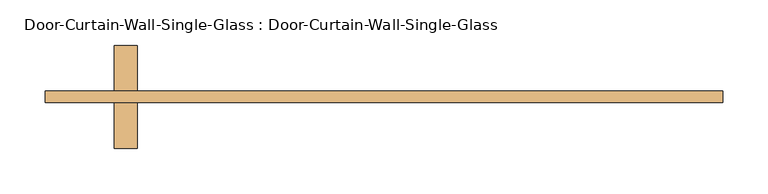
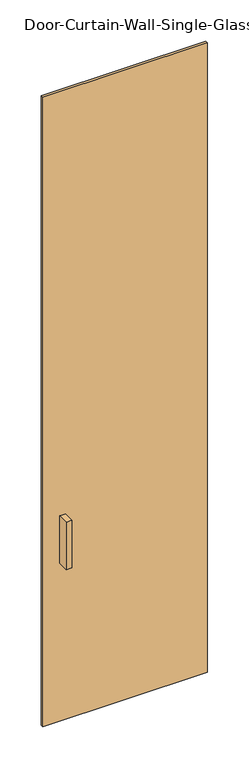
"""IFC4 building model written with IfcOpenShell, lengths in millimetres: door geometry, Door-Curtain-Wall-Single-Glass : Door-Curtain-Wall-Single-Glass."""

from ifc_helpers import new_model, si_unit, frame, origin, origin_with_axes, place, context, project, spatial, polyline, outline, extrude, source, transform, mapped, element, save


def door_curtain_wall_single_glass_door_curtain_wall_single_a1af9baf(model_context):
    return source(origin(), model_context, "Body", "SweptSolid", [
        extrude(outline(polyline([(374.6500002, 50.8), (374.6500002, 38.1), (-374.6500002, 38.1), (-374.6500002, 50.8), (374.6500002, 50.8)])), origin_with_axes(), (0.0, 0.0, 1.0), 3035.3),
        extrude(outline(polyline([(-273.0500002, -12.7), (-298.4500002, -12.7), (-298.4500002, 38.1), (-273.0500002, 38.1), (-273.0500002, -12.7)])), frame((0.0, 0.0, 762.0), z_axis=(0.0, 0.0, 1.0), x_axis=(1.0, 0.0, 0.0)), (0.0, 0.0, 1.0), 228.6),
        extrude(outline(polyline([(-298.4500002, 101.6), (-273.0500002, 101.6), (-273.0500002, 50.8), (-298.4500002, 50.8), (-298.4500002, 101.6)])), frame((0.0, 0.0, 762.0), z_axis=(0.0, 0.0, 1.0), x_axis=(1.0, 0.0, 0.0)), (0.0, 0.0, 1.0), 228.6),
    ])


if __name__ == "__main__":
    model = new_model("IFC4")
    model_context = context("Model", 3, world=origin())
    ifc_project = project(units=[si_unit("LENGTHUNIT", "METRE", prefix="MILLI")], contexts=[model_context])
    site = spatial("IfcSite", under=ifc_project)
    building = spatial("IfcBuilding", under=site)
    placement = place(None, origin())
    door_curtain_wall_single_glass_door_curtain_wall_single_shape = door_curtain_wall_single_glass_door_curtain_wall_single_a1af9baf(model_context)
    element("IfcDoor", 1, ObjectType="Door-Curtain-Wall-Single-Glass : Door-Curtain-Wall-Single-Glass", at=placement, inside=building, context=model_context, shape_type="MappedRepresentation", body=[
        mapped(door_curtain_wall_single_glass_door_curtain_wall_single_shape, transform((0.0, 0.0, 0.0), x_axis=(1.0, 0.0, 0.0), y_axis=(0.0, 1.0, 0.0), z_axis=(0.0, 0.0, 1.0))),
    ])
    save(model, "model.ifc")
